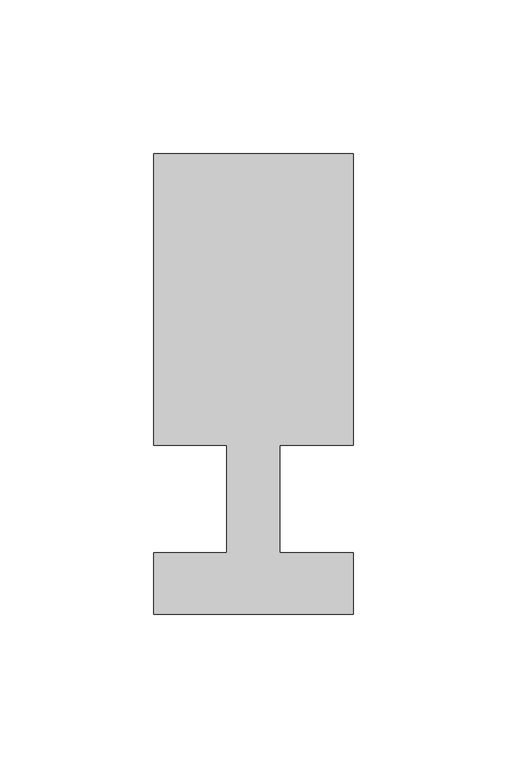
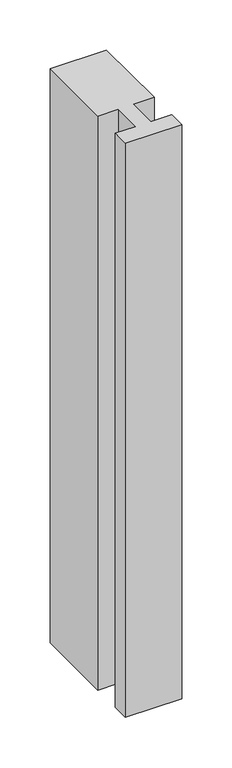
"""IFC4 building model written with IfcOpenShell, lengths in millimetres: member geometry."""

from ifc_helpers import new_model, si_unit, frame, origin, place, context, project, spatial, polyline, outline, extrude, source, transform, mapped, element, save


def member_9542d477(model_context):
    return source(origin(), model_context, "Body", "SweptSolid", [
        extrude(outline(polyline([(0.0, -37.0), (-65.0, -37.0), (-65.0, -17.0), (-41.1875, -17.0), (-41.1875, 18.0), (-65.0, 18.0), (-65.0, 113.0), (0.0, 113.0), (0.0, 18.0), (-23.8125, 18.0), (-23.8125, -17.0), (0.0, -17.0), (0.0, -37.0)])), frame((0.0, 0.0, -700.0), z_axis=(0.0, 0.0, 1.0), x_axis=(1.0, 0.0, 0.0)), (0.0, 0.0, 1.0), 700.0),
    ])


if __name__ == "__main__":
    model = new_model("IFC4")
    model_context = context("Model", 3, world=origin())
    ifc_project = project(units=[si_unit("LENGTHUNIT", "METRE", prefix="MILLI")], contexts=[model_context])
    site = spatial("IfcSite", under=ifc_project)
    building = spatial("IfcBuilding", under=site)
    placement = place(None, origin())
    member_shape = member_9542d477(model_context)
    element("IfcMember", 1, at=placement, inside=building, context=model_context, shape_type="MappedRepresentation", body=[
        mapped(member_shape, transform((0.0, 0.0, 0.0), x_axis=(1.0, 0.0, 0.0), y_axis=(0.0, 1.0, 0.0), z_axis=(0.0, 0.0, 1.0))),
    ])
    save(model, "model.ifc")
